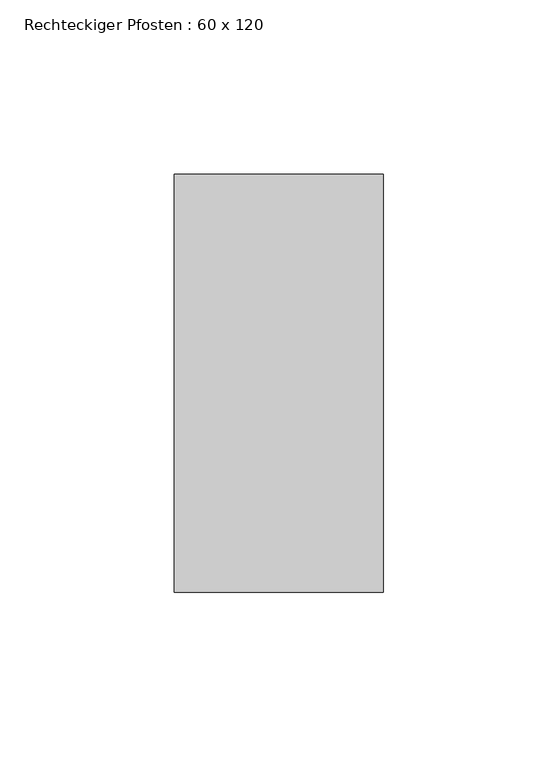
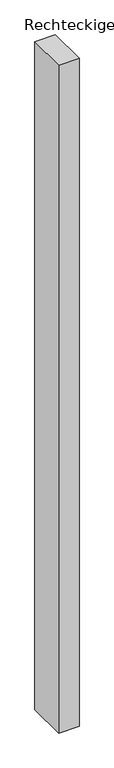
"""IFC4 building model written with IfcOpenShell, lengths in millimetres: member geometry, Rechteckiger Pfosten : 60 x 120."""

from ifc_helpers import new_model, si_unit, frame, origin, place, context, project, spatial, polyline, outline, extrude, source, transform, mapped, element, save


def rechteckiger_pfosten_60_x_120_a32fc951(model_context):
    return source(origin(), model_context, "Body", "SweptSolid", [
        extrude(outline(polyline([(0.0, 60.0), (0.0, -60.0), (-60.0, -60.0), (-60.0, 60.0), (0.0, 60.0)])), frame((0.0, 0.0, -2070.0), z_axis=(0.0, 0.0, 1.0), x_axis=(1.0, 0.0, 0.0)), (0.0, 0.0, 1.0), 2070.0),
    ])


if __name__ == "__main__":
    model = new_model("IFC4")
    model_context = context("Model", 3, world=origin())
    ifc_project = project(units=[si_unit("LENGTHUNIT", "METRE", prefix="MILLI")], contexts=[model_context])
    site = spatial("IfcSite", under=ifc_project)
    building = spatial("IfcBuilding", under=site)
    placement = place(None, origin())
    rechteckiger_pfosten_60_x_120_shape = rechteckiger_pfosten_60_x_120_a32fc951(model_context)
    element("IfcMember", 1, ObjectType="Rechteckiger Pfosten : 60 x 120", at=placement, inside=building, context=model_context, shape_type="MappedRepresentation", body=[
        mapped(rechteckiger_pfosten_60_x_120_shape, transform((0.0, 0.0, 0.0), x_axis=(1.0, 0.0, 0.0), y_axis=(0.0, 1.0, 0.0), z_axis=(0.0, 0.0, 1.0))),
    ])
    save(model, "model.ifc")
